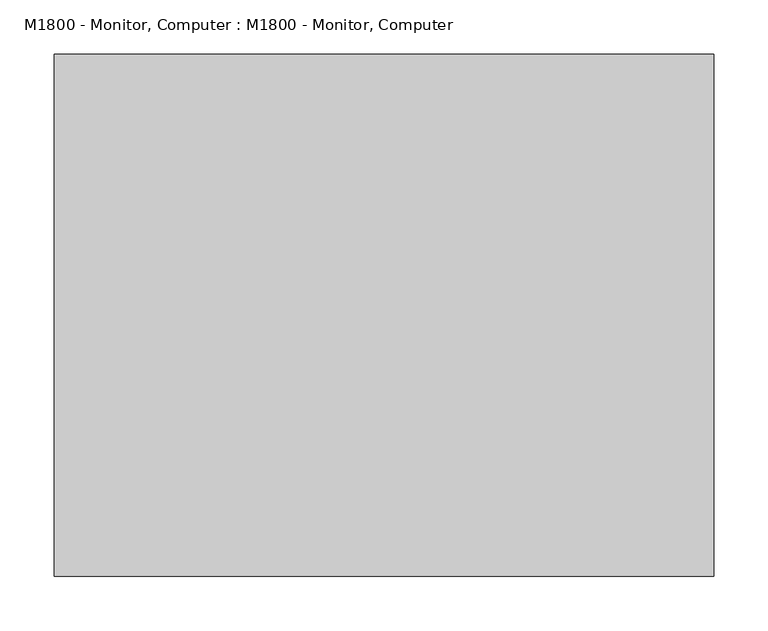
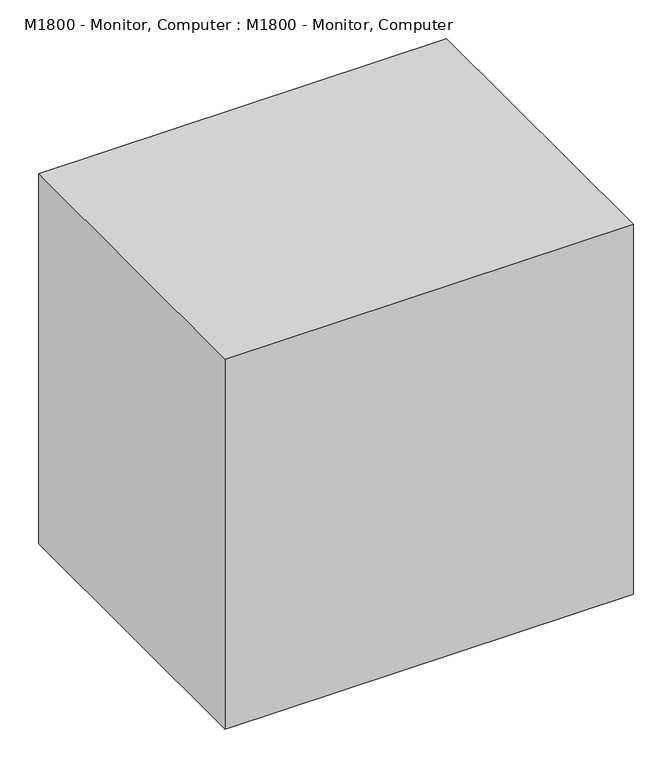
"""IFC4 building model written with IfcOpenShell, lengths in millimetres: proxy geometry, M1800 - Monitor, Computer : M1800 - Monitor, Computer."""

import ifcopenshell
import ifcopenshell.guid

model = None  # the IFC model being written
_history = None  # IfcOwnerHistory: only IFC2X3 demands one
_inside = {}  # id of a spatial element -> (the spatial element, [elements in it])
_under = {}  # id of a project, library or spatial element -> (it, [spatial elements below it])
_declared = {}  # id of a project -> (the project, [libraries it declares])
_typed = {}  # id of a type object -> (the type object, [elements of that type])
_made_of = {}  # id of a material, layer set ... -> (it, [elements and type objects made of it])


def new_model(schema):
    """Start an empty IFC model of exactly this schema.

    Asked for "IFC4X3", IfcOpenShell would pick the latest addendum, in which some entities
    have other attributes; the version numbers below select the first issue.
    IFC2X3 requires an IfcOwnerHistory on every rooted entity: one is made here for all.
    """
    global model, _history
    if schema == "IFC4X3":
        model = ifcopenshell.file(schema_version=(4, 3, 0, 0))
    else:
        model = ifcopenshell.file(schema=schema)
    _inside.clear()
    _under.clear()
    _declared.clear()
    _typed.clear()
    _made_of.clear()
    _history = None
    if model.schema == "IFC2X3":
        org = make("IfcOrganization", Name="unknown")
        user = make(
            "IfcPersonAndOrganization",
            ThePerson=make("IfcPerson", FamilyName="unknown"),
            TheOrganization=org,
        )
        app = make(
            "IfcApplication",
            ApplicationDeveloper=org,
            Version="unknown",
            ApplicationFullName="unknown",
            ApplicationIdentifier="unknown",
        )
        _history = make(
            "IfcOwnerHistory",
            OwningUser=user,
            OwningApplication=app,
            ChangeAction="ADDED",
            CreationDate=0,
        )
    return model


def make(cls, **values):
    """One entity of the class cls with the attributes given. An attribute that is None is left unset."""
    return model.create_entity(
        cls, **{name: value for name, value in values.items() if value is not None}
    )


def rooted(cls, **values):
    """An entity with a GlobalId (a new one), such as an element, a storey or a relation."""
    return make(cls, GlobalId=ifcopenshell.guid.new(), OwnerHistory=_history, **values)


def si_unit(unit_type, name, prefix=None):
    """IfcSIUnit, for example si_unit("LENGTHUNIT", "METRE", prefix="MILLI")."""
    return make("IfcSIUnit", UnitType=unit_type, Prefix=prefix, Name=name)


def assignment(units):
    """IfcUnitAssignment: the units of a project."""
    return None if units is None else make("IfcUnitAssignment", Units=units)


def point(xyz):
    """IfcCartesianPoint."""
    return None if xyz is None else make("IfcCartesianPoint", Coordinates=xyz)


def direction(xyz):
    """IfcDirection."""
    return None if xyz is None else make("IfcDirection", DirectionRatios=xyz)


def frame(location, z_axis=None, x_axis=None):
    """IfcAxis2Placement3D, a coordinate frame: its origin and axes. An axis left out is left unset."""
    return make(
        "IfcAxis2Placement3D",
        Location=point(location),
        Axis=direction(z_axis),
        RefDirection=direction(x_axis),
    )


def origin():
    """The frame at (0, 0, 0) with its axes left unset."""
    return frame((0.0, 0.0, 0.0))


def origin_with_axes():
    """The frame at (0, 0, 0) with the z axis (0, 0, 1) and the x axis (1, 0, 0) written out."""
    return frame((0.0, 0.0, 0.0), z_axis=(0.0, 0.0, 1.0), x_axis=(1.0, 0.0, 0.0))


def place(relative_to, where):
    """IfcLocalPlacement: puts the frame where relative to a parent placement (None: the world)."""
    return make(
        "IfcLocalPlacement", PlacementRelTo=relative_to, RelativePlacement=where
    )


def context(
    kind, dimensions, precision=None, world=None, true_north=None, identifier=None
):
    """IfcGeometricRepresentationContext, for example the 3D "Model" context."""
    return make(
        "IfcGeometricRepresentationContext",
        ContextIdentifier=identifier,
        ContextType=kind,
        CoordinateSpaceDimension=dimensions,
        Precision=precision,
        WorldCoordinateSystem=world,
        TrueNorth=true_north,
    )


def project(units=None, contexts=None):
    """IfcProject with its units and contexts."""
    return rooted(
        "IfcProject",
        Name="project",
        RepresentationContexts=contexts,
        UnitsInContext=assignment(units),
    )


def spatial(cls, under=None, at=None, **own):
    """A site, building, storey or space (cls), placed at a placement, below another one or the project."""
    s = rooted(cls, ObjectPlacement=at, **own)
    if under is not None:
        _under.setdefault(under.id(), (under, []))[1].append(s)
    return s


def polyline(points):
    """IfcPolyline through the points."""
    return make("IfcPolyline", Points=[point(p) for p in points])


def outline(outer, holes=None, kind="AREA"):
    """IfcArbitraryClosedProfileDef: a profile drawn as a closed curve; with holes, ...WithVoids."""
    if holes is None:
        return make("IfcArbitraryClosedProfileDef", ProfileType=kind, OuterCurve=outer)
    return make(
        "IfcArbitraryProfileDefWithVoids",
        ProfileType=kind,
        OuterCurve=outer,
        InnerCurves=holes,
    )


def extrude(swept, where, along, depth):
    """IfcExtrudedAreaSolid: the profile swept, set in the frame where, extruded along a direction by depth."""
    return make(
        "IfcExtrudedAreaSolid",
        SweptArea=swept,
        Position=where,
        ExtrudedDirection=direction(along),
        Depth=depth,
    )


def faces_of(points, faces, orient=None, outer=None):
    """IfcFace entities. A face is a list of loops; a loop is a list of indices into points, from 0.

    orient and outer hold one flag for each loop. By default every Orientation is true, the
    first loop of a face is its IfcFaceOuterBound and the others are IfcFaceBound.
    """
    made = []
    for i, loops in enumerate(faces):
        bounds = []
        for j, loop in enumerate(loops):
            is_outer = j == 0 if outer is None else outer[i][j]
            bounds.append(
                make(
                    "IfcFaceOuterBound" if is_outer else "IfcFaceBound",
                    Bound=make("IfcPolyLoop", Polygon=[points[k] for k in loop]),
                    Orientation=True if orient is None else orient[i][j],
                )
            )
        made.append(make("IfcFace", Bounds=bounds))
    return made


def faceted_brep(points, faces, orient=None, outer=None, voids=None):
    """IfcFacetedBrep: a solid bounded by flat faces; with voids (closed shells), ...WithVoids."""
    shared = [point(p) for p in points]
    hull = make("IfcClosedShell", CfsFaces=faces_of(shared, faces, orient, outer))
    if voids is None:
        return make("IfcFacetedBrep", Outer=hull)
    return make(
        "IfcFacetedBrepWithVoids",
        Outer=hull,
        Voids=[
            make(cls, CfsFaces=faces_of(shared, fs, o, b)) for cls, fs, o, b in voids
        ],
    )


def shape(context_of_items, identifier, shape_type, items):
    """IfcShapeRepresentation: the items that make up one representation, for example the "Body"."""
    return make(
        "IfcShapeRepresentation",
        ContextOfItems=context_of_items,
        RepresentationIdentifier=identifier,
        RepresentationType=shape_type,
        Items=items,
    )


def source(mapping_origin, context_of_items, identifier, shape_type, items):
    """IfcRepresentationMap: a shape defined once, which mapped items show again and again."""
    return make(
        "IfcRepresentationMap",
        MappingOrigin=mapping_origin,
        MappedRepresentation=shape(context_of_items, identifier, shape_type, items),
    )


def transform(
    local_origin,
    x_axis=None,
    y_axis=None,
    z_axis=None,
    scale=None,
    scale2=None,
    scale3=None,
    uniform=True,
):
    """IfcCartesianTransformationOperator3D, or its non-uniform kind. x_axis, y_axis, z_axis: its Axis1, 2, 3."""
    if uniform:
        return make(
            "IfcCartesianTransformationOperator3D",
            Axis1=direction(x_axis),
            Axis2=direction(y_axis),
            LocalOrigin=point(local_origin),
            Scale=scale,
            Axis3=direction(z_axis),
        )
    return make(
        "IfcCartesianTransformationOperator3DnonUniform",
        Axis1=direction(x_axis),
        Axis2=direction(y_axis),
        LocalOrigin=point(local_origin),
        Scale=scale,
        Axis3=direction(z_axis),
        Scale2=scale2,
        Scale3=scale3,
    )


def mapped(mapping_source, mapping_target):
    """IfcMappedItem: shows the shape of a source again, moved by a transform."""
    return make(
        "IfcMappedItem", MappingSource=mapping_source, MappingTarget=mapping_target
    )


def made_of(thing, what):
    """Note that an element or type object is made of a material, layer set ...; save() writes the relation."""
    if what is not None:
        _made_of.setdefault(what.id(), (what, []))[1].append(thing)
    return thing


def element(
    cls,
    number,
    at=None,
    inside=None,
    cuts=None,
    type_object=None,
    material=None,
    context=None,
    identifier="Body",
    shape_type=None,
    held_by="IfcProductDefinitionShape",
    body=None,
    shapes=None,
    **own,
):
    """One element of the class cls, such as IfcWall. Its Tag is "e" and its number.

    at: its placement. inside: the storey or other place that contains it. cuts: it is an
    opening in that element (IfcRelVoidsElement). A single representation is given by context,
    identifier, shape_type and body (its items); several are given by shapes. held_by: the class
    of the entity that holds the representations. save() writes the other relations.
    """
    e = rooted(cls, Tag="e%d" % number, ObjectPlacement=at, **own)
    if body is not None:
        shapes = [shape(context, identifier, shape_type, body)]
    if shapes is not None:
        e.Representation = make(held_by, Representations=shapes)
    if inside is not None:
        _inside.setdefault(inside.id(), (inside, []))[1].append(e)
    if cuts is not None:
        rooted(
            "IfcRelVoidsElement", RelatingBuildingElement=cuts, RelatedOpeningElement=e
        )
    if type_object is not None:
        _typed.setdefault(type_object.id(), (type_object, []))[1].append(e)
    return made_of(e, material)


def aggregate(whole, parts):
    """IfcRelAggregates: a whole, such as a stair, and the parts it consists of."""
    return rooted("IfcRelAggregates", RelatingObject=whole, RelatedObjects=parts)


def save(model, path):
    """Write the relations noted so far, then the file.

    IfcRelAggregates (storeys below a building ...), IfcRelContainedInSpatialStructure (elements
    in a storey), IfcRelDefinesByType, IfcRelAssociatesMaterial and IfcRelDeclares: one each for
    every whole, place, type object, material and project.
    """
    for whole, parts in _under.values():
        aggregate(whole, parts)
    for where, things in _inside.values():
        rooted(
            "IfcRelContainedInSpatialStructure",
            RelatedElements=things,
            RelatingStructure=where,
        )
    for kind, things in _typed.values():
        rooted("IfcRelDefinesByType", RelatedObjects=things, RelatingType=kind)
    for what, things in _made_of.values():
        rooted("IfcRelAssociatesMaterial", RelatedObjects=things, RelatingMaterial=what)
    for by, libraries in _declared.values():
        rooted("IfcRelDeclares", RelatingContext=by, RelatedDefinitions=libraries)
    model.write(path)


def m1800_monitor_computer_m1800_monitor_computer_931f84b7(model_context):
    return source(origin(), model_context, "Body", "SolidModel", [
        faceted_brep([(203.2, 133.2656905, 431.8), (-203.2, 133.2656905, 431.8), (-203.2, 82.6343095, 431.8), (203.2, 82.6343095, 431.8), (203.2, 133.2656905, 152.4), (203.2, 82.6343095, 152.4), (-203.2, 82.6343095, 152.4), (-203.2, 133.2656905, 152.4), (-190.5, 82.6343095, 419.1), (190.5, 82.6343095, 419.1), (190.5, 82.6343095, 165.1), (-190.5, 82.6343095, 165.1), (190.5, 87.4205119, 419.1), (-190.5, 87.4205119, 419.1), (190.5, 87.4205119, 165.1), (-190.5, 87.4205119, 165.1)], [[[0, 1, 2, 3]], [[4, 5, 6, 7]], [[1, 0, 4, 7]], [[2, 1, 7, 6]], [[3, 2, 6, 5], [8, 9, 10, 11]], [[0, 3, 5, 4]], [[12, 9, 8, 13]], [[14, 15, 11, 10]], [[12, 13, 15, 14]], [[13, 8, 11, 15]], [[9, 12, 14, 10]]]),
        faceted_brep([(109.1218395, 34.0676261, 25.4), (109.1218395, 34.0676261, 0.0), (109.1218395, 215.9, 0.0), (109.1218395, 215.9, 25.4), (-109.1218395, 215.9, 25.4), (-109.1218395, 215.9, 0.0), (-109.1218395, 34.0676261, 0.0), (-109.1218395, 34.0676261, 25.4), (36.9685686, 196.7656905, 31.75), (36.9685686, 196.7656905, 25.4), (-36.9685686, 196.7656905, 25.4), (-36.9685686, 196.7656905, 31.75), (36.9685686, 196.7656905, 292.1), (-36.9685686, 196.7656905, 292.1), (36.9685686, 133.2656905, 292.1), (-36.9685686, 133.2656905, 292.1), (36.9685686, 133.2656905, 241.3), (-36.9685686, 133.2656905, 241.3), (36.9685686, 171.3656905, 241.3), (-36.9685686, 171.3656905, 241.3), (36.9685686, 171.3656905, 25.4), (-36.9685686, 171.3656905, 25.4)], [[[0, 1, 2, 3]], [[4, 5, 6, 7]], [[8, 9, 10, 11]], [[12, 8, 11, 13]], [[14, 12, 13, 15]], [[16, 14, 15, 17]], [[18, 16, 17, 19]], [[20, 18, 19, 21]], [[0, 3, 4, 7], [9, 20, 21, 10]], [[1, 0, 7, 6]], [[2, 1, 6, 5]], [[3, 2, 5, 4]], [[20, 9, 8, 12, 14, 16, 18]], [[10, 21, 19, 17, 15, 13, 11]]]),
        extrude(outline(polyline([(304.8, 241.3), (304.8, -241.3), (-304.8, -241.3), (-304.8, 241.3), (304.8, 241.3)])), origin_with_axes(), (0.0, 0.0, 1.0), 584.2),
    ])


if __name__ == "__main__":
    model = new_model("IFC4")
    model_context = context("Model", 3, world=origin())
    ifc_project = project(units=[si_unit("LENGTHUNIT", "METRE", prefix="MILLI")], contexts=[model_context])
    site = spatial("IfcSite", under=ifc_project)
    building = spatial("IfcBuilding", under=site)
    placement = place(None, origin())
    m1800_monitor_computer_m1800_monitor_computer_shape = m1800_monitor_computer_m1800_monitor_computer_931f84b7(model_context)
    element("IfcBuildingElementProxy", 1, Name="M1800 - Monitor, Computer : M1800 - Monitor, Computer", ObjectType="M1800 - Monitor, Computer : M1800 - Monitor, Computer", at=placement, inside=building, context=model_context, shape_type="MappedRepresentation", body=[
        mapped(m1800_monitor_computer_m1800_monitor_computer_shape, transform((0.0, 0.0, 0.0), x_axis=(1.0, 0.0, 0.0), y_axis=(0.0, 1.0, 0.0), z_axis=(0.0, 0.0, 1.0))),
    ])
    save(model, "model.ifc")
